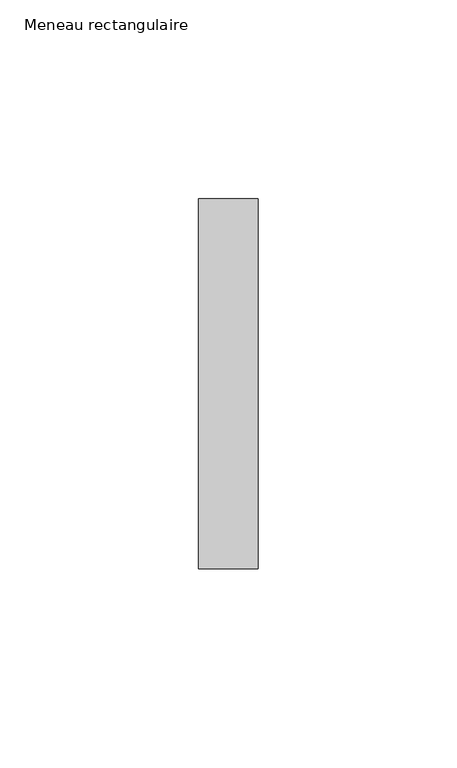
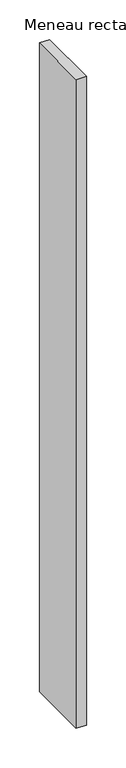
"""IFC4 building model written with IfcOpenShell, lengths in millimetres: member geometry, Meneau rectangulaire."""

from ifc_helpers import new_model, si_unit, frame, origin, place, context, project, spatial, polyline, outline, extrude, source, transform, mapped, element, save


def meneau_rectangulaire_812fbfc2(model_context):
    return source(origin(), model_context, "Body", "SweptSolid", [
        extrude(outline(polyline([(0.0, 46.5), (0.0, -46.5), (-15.0, -46.5), (-15.0, 46.5), (0.0, 46.5)])), frame((0.0, 0.0, -1000.8830689), z_axis=(0.0, 0.0, 1.0), x_axis=(1.0, 0.0, 0.0)), (0.0, 0.0, 1.0), 1000.8830689),
    ])


if __name__ == "__main__":
    model = new_model("IFC4")
    model_context = context("Model", 3, world=origin())
    ifc_project = project(units=[si_unit("LENGTHUNIT", "METRE", prefix="MILLI")], contexts=[model_context])
    site = spatial("IfcSite", under=ifc_project)
    building = spatial("IfcBuilding", under=site)
    placement = place(None, origin())
    meneau_rectangulaire_shape = meneau_rectangulaire_812fbfc2(model_context)
    element("IfcMember", 1, ObjectType="Meneau rectangulaire", at=placement, inside=building, context=model_context, shape_type="MappedRepresentation", body=[
        mapped(meneau_rectangulaire_shape, transform((0.0, 0.0, 0.0), x_axis=(1.0, 0.0, 0.0), y_axis=(0.0, 1.0, 0.0), z_axis=(0.0, 0.0, 1.0))),
    ])
    save(model, "model.ifc")
